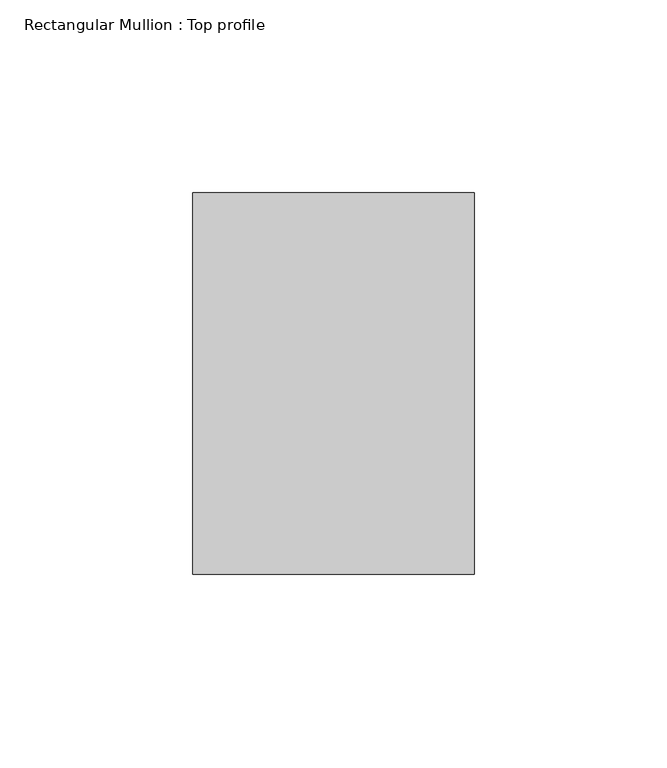
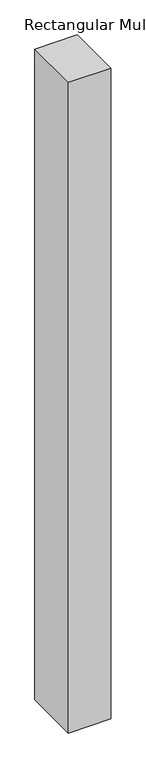
"""IFC4 building model written with IfcOpenShell, lengths in millimetres: member geometry, Rectangular Mullion : Top profile."""

from ifc_helpers import new_model, si_unit, frame, origin, place, context, project, spatial, polyline, outline, extrude, source, transform, mapped, element, save


def rectangular_mullion_top_profile_f8c76521(model_context):
    return source(origin(), model_context, "Body", "SweptSolid", [
        extrude(outline(polyline([(-73.0, -49.5), (-73.0, 49.5), (0.0, 49.5), (0.0, -49.5), (-73.0, -49.5)])), frame((0.0, 0.0, -1180.0), z_axis=(0.0, 0.0, 1.0), x_axis=(1.0, 0.0, 0.0)), (0.0, 0.0, 1.0), 1180.0),
    ])


if __name__ == "__main__":
    model = new_model("IFC4")
    model_context = context("Model", 3, world=origin())
    ifc_project = project(units=[si_unit("LENGTHUNIT", "METRE", prefix="MILLI")], contexts=[model_context])
    site = spatial("IfcSite", under=ifc_project)
    building = spatial("IfcBuilding", under=site)
    placement = place(None, origin())
    rectangular_mullion_top_profile_shape = rectangular_mullion_top_profile_f8c76521(model_context)
    element("IfcMember", 1, ObjectType="Rectangular Mullion : Top profile", at=placement, inside=building, context=model_context, shape_type="MappedRepresentation", body=[
        mapped(rectangular_mullion_top_profile_shape, transform((0.0, 0.0, 0.0), x_axis=(1.0, 0.0, 0.0), y_axis=(0.0, 1.0, 0.0), z_axis=(0.0, 0.0, 1.0))),
    ])
    save(model, "model.ifc")
